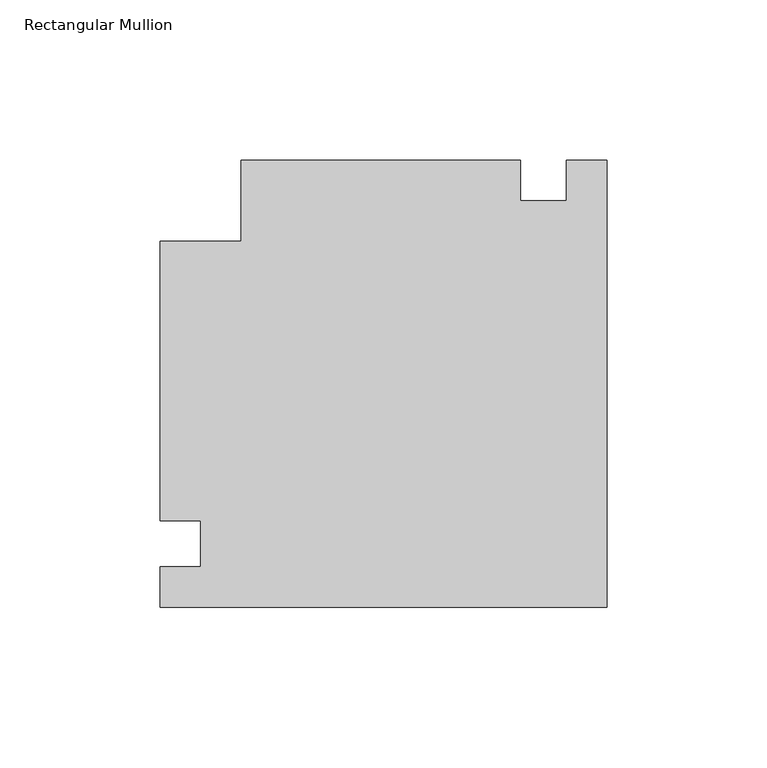
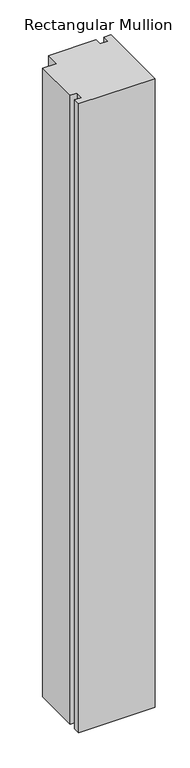
"""IFC4 building model written with IfcOpenShell, lengths in millimetres: member geometry, Rectangular Mullion."""

from ifc_helpers import new_model, si_unit, frame, origin, place, context, project, spatial, polyline, outline, extrude, source, transform, mapped, element, save


def rectangular_mullion_e893f500(model_context):
    return source(origin(), model_context, "Body", "SweptSolid", [
        extrude(outline(polyline([(-12.7, 119.85625), (0.0, 119.85625), (0.0, -19.84375), (-139.7, -19.84375), (-139.7, -7.14375), (-126.9982296, -7.14375), (-126.9982296, 7.14375), (-139.7, 7.14375), (-139.7, 94.45625), (-114.3, 94.45625), (-114.3, 119.85625), (-26.9875, 119.85625), (-26.9875, 107.15625), (-12.7, 107.15625), (-12.7, 119.85625)])), frame((0.0, 0.0, -1219.2), z_axis=(0.0, 0.0, 1.0), x_axis=(1.0, 0.0, 0.0)), (0.0, 0.0, 1.0), 1219.2),
    ])


if __name__ == "__main__":
    model = new_model("IFC4")
    model_context = context("Model", 3, world=origin())
    ifc_project = project(units=[si_unit("LENGTHUNIT", "METRE", prefix="MILLI")], contexts=[model_context])
    site = spatial("IfcSite", under=ifc_project)
    building = spatial("IfcBuilding", under=site)
    placement = place(None, origin())
    rectangular_mullion_shape = rectangular_mullion_e893f500(model_context)
    element("IfcMember", 1, ObjectType="Rectangular Mullion", at=placement, inside=building, context=model_context, shape_type="MappedRepresentation", body=[
        mapped(rectangular_mullion_shape, transform((0.0, 0.0, 0.0), x_axis=(1.0, 0.0, 0.0), y_axis=(0.0, 1.0, 0.0), z_axis=(0.0, 0.0, 1.0))),
    ])
    save(model, "model.ifc")
